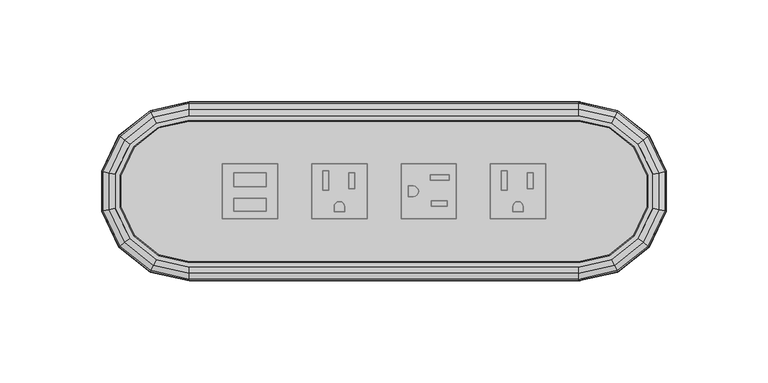
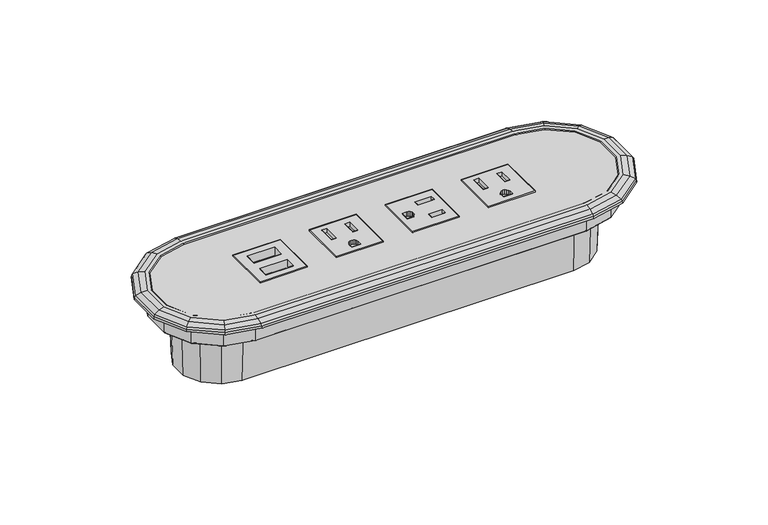
"""IFC4 building model written with IfcOpenShell, lengths in millimetres: furniture geometry."""

from ifc_helpers import new_model, si_unit, origin, place, context, project, spatial, triangles, source, transform, mapped, element, save


def furniture_b4716641(model_context):
    return source(origin(), model_context, "Body", "Tessellation", [
        triangles([(-27.2427435, 0.6278616, 1.5678789), (-30.1118793, 0.6278616, 1.5678789), (-30.1118793, 10.01272, 1.5678789), (-27.2427435, 10.01272, 1.5678789), (-30.1118793, 0.6278616, 4.1078789), (-27.2427435, 0.6278616, 4.1078789), (-30.1118793, 10.01272, 4.1078789), (-27.2427435, 10.01272, 4.1078789), (-14.4813063, 1.1776021, 1.5678789), (-17.3383732, 1.1776021, 1.5678789), (-17.3383732, 9.0795398, 1.5678789), (-14.4813063, 9.0795398, 1.5678789), (-17.3383732, 1.1776021, 4.1078789), (-14.4813063, 1.1776021, 4.1078789), (-17.3383732, 9.0795398, 4.1078789), (-14.4813063, 9.0795398, 4.1078789), (-35.4864649, -13.5373777, 4.1078789), (-35.4864649, -13.5373777, 3.4721289), (-8.3436915, -13.5373777, 3.4721289), (-8.3436915, -13.5373777, 4.1078789), (-8.3436915, 13.5373777, 3.4721289), (-35.4864649, 13.5373777, 3.4721289), (-35.4864649, 13.5373777, 4.1078789), (-8.3436915, 13.5373777, 4.1078789), (-24.5416933, -7.6990191, 4.1078789), (-24.5416933, -7.6990191, 1.5678789), (-24.5416933, -10.0395568, 1.5678789), (-24.5416933, -10.0395568, 4.1078789), (-19.3015312, -10.0395568, 1.5678789), (-19.3015312, -10.0395568, 4.1078789), (-19.3015312, -7.6990191, 1.5678789), (-19.3015312, -7.6990191, 4.1078789), (-19.4864468, -6.621166, 1.5678789), (-19.4864468, -6.621166, 4.1078789), (-20.0566973, -5.7742552, 1.5678789), (-20.0566973, -5.7742552, 4.1078789), (-20.8889866, -5.2045197, 1.5678789), (-20.8889866, -5.2045197, 4.1078789), (-21.9370308, -5.0197364, 1.5678789), (-21.9370308, -5.0197364, 4.1078789), (-22.9387888, -5.2045197, 1.5678789), (-22.9387888, -5.2045197, 4.1078789), (-23.7864705, -5.8050525, 1.5678789), (-23.7864705, -5.8050525, 4.1078789), (-24.356721, -6.6365527, 1.5678789), (-24.356721, -6.6365527, 4.1078789), (60.603155, 0.6278616, 1.5678789), (57.7340214, 0.6278616, 1.5678789), (57.7340214, 10.01272, 1.5678789), (60.603155, 10.01272, 1.5678789), (57.7340214, 0.6278616, 4.1078789), (60.603155, 0.6278616, 4.1078789), (57.7340214, 10.01272, 4.1078789), (60.603155, 10.01272, 4.1078789), (73.3645944, 1.1776021, 1.5678789), (70.5075286, 1.1776021, 1.5678789), (70.5075286, 9.0795398, 1.5678789), (73.3645944, 9.0795398, 1.5678789), (70.5075286, 1.1776021, 4.1078789), (73.3645944, 1.1776021, 4.1078789), (70.5075286, 9.0795398, 4.1078789), (73.3645944, 9.0795398, 4.1078789), (52.3594358, -13.5373777, 4.1078789), (52.3594358, -13.5373777, 3.4721289), (79.5022058, -13.5373777, 4.1078789), (79.5022058, -13.5373777, 3.4721289), (79.5022058, 13.5373777, 3.4721289), (52.3594358, 13.5373777, 3.4721289), (52.3594358, 13.5373777, 4.1078789), (79.5022058, 13.5373777, 4.1078789), (63.3042074, -7.6990191, 4.1078789), (63.3042074, -7.6990191, 1.5678789), (63.3042074, -10.0395568, 1.5678789), (63.3042074, -10.0395568, 4.1078789), (68.5443672, -10.0395568, 1.5678789), (68.5443672, -10.0395568, 4.1078789), (68.5443672, -7.6990191, 1.5678789), (68.5443672, -7.6990191, 4.1078789), (68.3594539, -6.621166, 1.5678789), (68.3594539, -6.621166, 4.1078789), (67.7892034, -5.7742552, 1.5678789), (67.7892034, -5.7742552, 4.1078789), (66.9569141, -5.2045197, 1.5678789), (66.9569141, -5.2045197, 4.1078789), (65.9088676, -5.0197364, 1.5678789), (65.9088676, -5.0197364, 4.1078789), (64.9071119, -5.2045197, 1.5678789), (64.9071119, -5.2045197, 4.1078789), (64.0594302, -5.8050525, 1.5678789), (64.0594302, -5.8050525, 4.1078789), (63.4891797, -6.6365527, 1.5678789), (63.4891797, -6.6365527, 4.1078789), (22.6293827, 5.3276647, 1.5678789), (22.6293827, 8.1968011, 1.5678789), (32.0142409, 8.1968011, 1.5678789), (32.0142409, 5.3276647, 1.5678789), (22.6293827, 8.1968011, 4.1078789), (22.6293827, 5.3276647, 4.1078789), (32.0142409, 8.1968011, 4.1078789), (32.0142409, 5.3276647, 4.1078789), (23.1791243, -7.4337725, 1.5678789), (23.1791243, -4.5767053, 1.5678789), (31.0810607, -7.4337725, 1.5678789), (31.0810607, -4.5767053, 1.5678789), (23.1791243, -4.5767053, 4.1078789), (23.1791243, -7.4337725, 4.1078789), (31.0810607, -4.5767053, 4.1078789), (31.0810607, -7.4337725, 4.1078789), (8.4301342, 13.5373777, 4.1078789), (8.4301342, 13.5373777, 3.4721289), (8.4301342, -13.5373777, 3.4721289), (8.4301342, -13.5373777, 4.1078789), (35.5729082, -13.5373777, 3.4721289), (35.5729082, 13.5373777, 3.4721289), (35.5729082, 13.5373777, 4.1078789), (35.5729082, -13.5373777, 4.1078789), (14.3025018, 2.626614, 4.1078789), (14.3025018, 2.626614, 1.5678789), (11.961964, 2.626614, 1.5678789), (11.961964, 2.626614, 4.1078789), (11.961964, -2.6135478, 1.5678789), (11.961964, -2.6135478, 4.1078789), (14.3025018, -2.6135478, 1.5678789), (14.3025018, -2.6135478, 4.1078789), (15.3803555, -2.4286317, 1.5678789), (15.3803555, -2.4286317, 4.1078789), (16.2272662, -1.8583808, 1.5678789), (16.2272662, -1.8583808, 4.1078789), (16.7970012, -1.0260915, 1.5678789), (16.7970012, -1.0260915, 4.1078789), (16.981785, 0.0219519, 4.1078789), (16.981785, 0.0219519, 1.5678789), (16.7970012, 1.0237108, 1.5678789), (16.7970012, 1.0237108, 4.1078789), (16.1964689, 1.8713914, 1.5678789), (16.1964689, 1.8713914, 4.1078789), (15.3649688, 2.4416422, 1.5678789), (15.3649688, 2.4416422, 4.1078789)], [[1, 2, 3], [1, 3, 4], [5, 2, 1], [5, 1, 6], [4, 3, 7], [4, 7, 8], [3, 2, 5], [3, 5, 7], [8, 6, 1], [8, 1, 4], [9, 10, 11], [9, 11, 12], [13, 10, 9], [13, 9, 14], [12, 11, 15], [12, 15, 16], [11, 10, 13], [11, 13, 15], [16, 14, 9], [16, 9, 12], [17, 18, 19], [17, 19, 20], [21, 22, 23], [21, 23, 24], [22, 18, 17], [22, 17, 23], [24, 20, 19], [24, 19, 21], [25, 26, 27], [25, 27, 28], [28, 27, 29], [28, 29, 30], [30, 29, 31], [30, 31, 32], [32, 31, 33], [32, 33, 34], [34, 33, 35], [34, 35, 36], [36, 35, 37], [36, 37, 38], [38, 37, 39], [38, 39, 40], [40, 39, 41], [40, 41, 42], [42, 41, 43], [42, 43, 44], [44, 43, 45], [44, 45, 46], [46, 45, 26], [46, 26, 25], [26, 31, 27], [31, 29, 27], [26, 45, 33], [26, 33, 31], [45, 43, 35], [45, 35, 33], [35, 43, 37], [43, 41, 37], [41, 39, 37], [23, 17, 5], [23, 5, 7], [23, 8, 15], [23, 15, 24], [23, 7, 8], [24, 15, 16], [24, 16, 20], [16, 14, 20], [15, 8, 13], [8, 6, 13], [20, 30, 28], [20, 28, 17], [17, 28, 25], [17, 25, 5], [20, 14, 32], [20, 32, 30], [14, 34, 32], [13, 6, 40], [44, 6, 5], [44, 5, 46], [40, 6, 42], [42, 6, 44], [46, 5, 25], [13, 40, 38], [13, 36, 14], [36, 34, 14], [13, 38, 36], [47, 48, 49], [47, 49, 50], [51, 48, 47], [51, 47, 52], [50, 49, 53], [50, 53, 54], [49, 48, 51], [49, 51, 53], [54, 52, 47], [54, 47, 50], [55, 56, 57], [55, 57, 58], [59, 56, 55], [59, 55, 60], [58, 57, 61], [58, 61, 62], [57, 56, 59], [57, 59, 61], [62, 60, 55], [62, 55, 58], [63, 64, 65], [64, 66, 65], [67, 68, 69], [67, 69, 70], [68, 64, 63], [68, 63, 69], [70, 65, 66], [70, 66, 67], [71, 72, 73], [71, 73, 74], [74, 73, 75], [74, 75, 76], [76, 75, 77], [76, 77, 78], [78, 77, 79], [78, 79, 80], [80, 79, 81], [80, 81, 82], [82, 81, 83], [82, 83, 84], [84, 83, 85], [84, 85, 86], [86, 85, 87], [86, 87, 88], [88, 87, 89], [88, 89, 90], [90, 89, 91], [90, 91, 92], [92, 91, 72], [92, 72, 71], [72, 77, 75], [72, 75, 73], [72, 91, 79], [72, 79, 77], [91, 89, 81], [91, 81, 79], [81, 89, 87], [81, 87, 83], [87, 85, 83], [69, 63, 51], [69, 51, 53], [69, 54, 61], [69, 61, 70], [69, 53, 54], [70, 61, 62], [70, 62, 60], [70, 60, 65], [61, 54, 52], [61, 52, 59], [65, 76, 74], [65, 74, 63], [63, 74, 71], [63, 71, 51], [65, 60, 78], [65, 78, 76], [60, 80, 78], [59, 52, 86], [90, 52, 51], [90, 51, 92], [86, 52, 88], [88, 52, 90], [92, 51, 71], [59, 86, 84], [59, 82, 80], [59, 80, 60], [59, 84, 82], [93, 94, 95], [93, 95, 96], [97, 94, 93], [97, 93, 98], [96, 95, 99], [96, 99, 100], [95, 94, 97], [95, 97, 99], [100, 98, 93], [100, 93, 96], [101, 102, 103], [102, 104, 103], [105, 102, 106], [102, 101, 106], [103, 104, 107], [103, 107, 108], [104, 102, 105], [104, 105, 107], [108, 106, 101], [108, 101, 103], [109, 110, 111], [109, 111, 112], [113, 114, 115], [113, 115, 116], [114, 110, 109], [114, 109, 115], [116, 112, 111], [116, 111, 113], [117, 118, 119], [117, 119, 120], [120, 119, 121], [120, 121, 122], [122, 121, 123], [122, 123, 124], [124, 123, 125], [124, 125, 126], [126, 125, 127], [126, 127, 128], [128, 127, 129], [128, 129, 130], [130, 129, 131], [129, 132, 131], [131, 132, 133], [131, 133, 134], [134, 133, 135], [134, 135, 136], [136, 135, 137], [136, 137, 138], [138, 137, 118], [138, 118, 117], [118, 123, 121], [118, 121, 119], [118, 137, 125], [118, 125, 123], [137, 135, 127], [137, 127, 125], [127, 135, 133], [127, 133, 129], [133, 132, 129], [115, 109, 97], [115, 97, 99], [115, 100, 107], [115, 107, 116], [115, 99, 100], [116, 107, 108], [116, 108, 106], [116, 106, 112], [107, 100, 98], [107, 98, 105], [112, 122, 109], [122, 120, 109], [109, 120, 117], [109, 117, 97], [112, 106, 124], [112, 124, 122], [106, 126, 124], [105, 98, 131], [136, 98, 138], [98, 97, 138], [131, 98, 134], [134, 98, 136], [138, 97, 117], [105, 131, 130], [105, 128, 126], [105, 126, 106], [105, 130, 128]], closed=False),
        triangles([(-73.8622248, 9.0598321, -0.9721212), (-57.9997846, 9.0598321, -0.9721212), (-57.9997846, 2.3052158, -0.9721212), (-73.8622248, 2.3052158, -0.9721212), (-73.8622248, 2.3052158, 4.1078789), (-57.9997846, 2.3052158, 4.1078789), (-73.8622248, 9.0598321, 4.1078789), (-57.9997846, 9.0598321, 4.1078789), (-73.8634965, -3.3212587, -0.9721212), (-57.9997846, -3.3212587, -0.9721212), (-57.9997846, -9.7005957, -0.9721212), (-73.8634965, -9.7005957, -0.9721212), (-73.8634965, -9.7005957, 4.1078789), (-57.9997846, -9.7005957, 4.1078789), (-73.8634965, -3.3212587, 4.1078789), (-57.9997846, -3.3212587, 4.1078789), (-79.5011157, -13.5373777, 4.1078789), (-79.5011157, -13.5373777, 3.4721289), (-52.2609043, -13.5373777, 3.4721289), (-52.2609043, -13.5373777, 4.1078789), (-79.5011157, 13.5373777, 4.1078789), (-52.2609043, 13.5373777, 4.1078789), (-52.2609043, 13.5373777, 3.4721289), (-79.5011157, 13.5373777, 3.4721289)], [[1, 2, 3], [1, 3, 4], [5, 4, 3], [5, 3, 6], [7, 8, 2], [7, 2, 1], [8, 6, 3], [8, 3, 2], [1, 4, 5], [1, 5, 7], [9, 10, 11], [9, 11, 12], [13, 12, 11], [13, 11, 14], [15, 16, 10], [15, 10, 9], [16, 14, 11], [16, 11, 10], [9, 12, 13], [9, 13, 15], [17, 18, 19], [17, 19, 20], [21, 22, 23], [21, 23, 24], [22, 20, 19], [22, 19, 23], [24, 18, 17], [24, 17, 21], [17, 15, 5], [17, 5, 21], [22, 6, 16], [22, 16, 20], [20, 14, 17], [14, 13, 17], [22, 21, 8], [21, 7, 8], [6, 5, 15], [6, 15, 16], [13, 15, 17], [21, 5, 7], [22, 8, 6], [16, 14, 20]], closed=False),
        triangles([(125.0273794, -23.2402716, 3.9624001), (112.0577949, -33.5831631, 3.9624001), (113.3937962, -36.3573829, 3.5222025), (127.4347542, -25.1600899, 3.5222025), (114.6227546, -38.9093483, 2.2368759), (129.649272, -26.9261045, 2.2368759), (95.8849994, -37.2745008, 3.9624001), (95.8849994, -40.3536506, 3.5222025), (95.8849994, -43.1861221, 2.2368759), (132.2249506, -8.2943565, 3.9624001), (135.2269022, -8.9795323, 3.5222025), (137.9883524, -9.6098161, 2.2368759), (132.2249506, 8.2943565, 3.9624001), (135.2269022, 8.9795323, 3.5222025), (137.9883524, 9.6098161, 2.2368759), (125.0273794, 23.2402716, 3.9624001), (127.4347542, 25.1600899, 3.5222025), (129.649272, 26.9261045, 2.2368759), (112.0577949, 33.5831631, 3.9624001), (113.3937962, 36.3573829, 3.5222025), (114.6227546, 38.9093483, 2.2368759), (95.8849994, 37.2745008, 3.9624001), (95.8849994, 40.3536506, 3.5222025), (95.8849994, 43.1861221, 2.2368759), (95.8849994, 35.0599694, 3.9624001), (111.0969524, 31.5879406, 3.9624001), (123.2959898, 21.8595328, 3.9624001), (130.0659436, 7.8015774, 3.9624001), (130.0659436, -7.8015774, 3.9624001), (123.2959898, -21.8595328, 3.9624001), (111.0969524, -31.5879406, 3.9624001), (95.8849994, -35.0599694, 3.9624001), (95.8849994, 34.5522787, 3.4721289), (110.8766715, 31.1305285, 3.4721289), (122.8990572, 21.5429937, 3.4721289), (129.5709792, 7.6886057, 3.4721289), (129.5709792, -7.6886057, 3.4721289), (122.8990572, -21.5429937, 3.4721289), (110.8766715, -31.1305285, 3.4721289), (95.8849994, -34.5522787, 3.4721289), (114.9182399, 39.5229282, 1.2168115), (95.8849994, 43.8671443, 1.2168115), (115.0113301, 39.7162395, 0.0), (95.8849994, 44.0816979, 0.0), (130.1817159, 27.3507174, 1.2168115), (130.3494564, 27.4844915, 0.0), (138.6523017, 9.761358, 1.2168115), (138.8614823, 9.809101, 0.0), (138.6523017, -9.761358, 1.2168115), (138.8614823, -9.809101, 0.0), (130.1817159, -27.3507174, 1.2168115), (130.3494564, -27.4844915, 0.0), (114.9182399, -39.5229282, 1.2168115), (115.0113301, -39.7162395, 0.0), (95.8849994, -43.8671443, 1.2168115), (95.8849994, -44.0816979, 0.0), (-95.8849994, -43.8671443, 1.2168115), (-95.8849994, -43.1861221, 2.2368759), (-95.8849994, -44.0816979, 0.0), (-95.8849994, -40.3536506, 3.5222025), (-95.8849994, -37.2745008, 3.9624001), (-95.8849994, -35.0599694, 3.9624001), (-95.8849994, -34.5522787, 3.4721289), (-95.8849994, 43.1861221, 2.2368759), (-95.8849994, 43.8671443, 1.2168115), (-95.8849994, 44.0816979, 0.0), (-95.8849994, 40.3536506, 3.5222025), (-95.8849994, 37.2745008, 3.9624001), (-95.8849994, 35.0599694, 3.9624001), (-95.8849994, 34.5522787, 3.4721289), (95.8849994, -34.3097812, 3.4721289), (110.8240675, -30.9000375, 3.4721289), (122.8042593, -21.3461466, 3.4721289), (129.4527724, -7.5403754, 3.4721289), (95.8849994, -37.1966235, 0.0), (95.8849994, -37.0016409, -11.669682), (111.9394064, -33.3373274, -11.669682), (112.0240125, -33.5130003, 0.0), (124.8140476, -23.0701466, -11.669682), (124.966491, -23.1917144, 0.0), (131.958933, -8.2336396, -11.669682), (132.1490286, -8.2770276, 0.0), (131.958933, 8.2336396, -11.669682), (132.1490286, 8.2770276, 0.0), (124.8140476, 23.0701466, -11.669682), (124.966491, 23.1917144, 0.0), (111.9394064, 33.3373274, -11.669682), (112.0240125, 33.5130003, 0.0), (95.8849994, 37.0016409, -11.669682), (95.8849994, 37.1966235, 0.0), (95.8849994, -36.3667369, -12.2936003), (111.6639327, -32.7652988, -12.2936003), (124.3176571, -22.6742905, -12.2936003), (131.3399483, -8.0923607, -12.2936003), (131.3399483, 8.0923607, -12.2936003), (124.3176571, 22.6742905, -12.2936003), (111.6639327, 32.7652988, -12.2936003), (95.8849994, 36.3667369, -12.2936003), (95.8849994, -25.6786538, -12.2936003), (107.0265522, -23.1356677, -12.2936003), (115.9613811, -16.0103793, -12.2936003), (120.9198358, -5.7140385, -12.2936003), (120.9198358, 5.7140385, -12.2936003), (115.9613811, 16.0103793, -12.2936003), (107.0265522, 23.1356677, -12.2936003), (95.8849994, 25.6786538, -12.2936003), (95.8849994, -24.9171201, -13.0290069), (106.6961309, -22.4495495, -13.0290069), (115.3659869, -15.5355695, -13.0290069), (120.1773938, -5.5445806, -13.0290069), (120.1773938, 5.5445806, -13.0290069), (115.3659869, 15.5355695, -13.0290069), (106.6961309, 22.4495495, -13.0290069), (95.8849994, 24.9171201, -13.0290069), (95.8849994, -23.8279696, -44.2181631), (106.2235671, -21.4682595, -44.2181631), (114.5144582, -14.8564957, -44.2181631), (119.1155491, -5.3022222, -44.2181631), (119.1155491, 5.3022222, -44.2181631), (114.5144582, 14.8564957, -44.2181631), (106.2235671, 21.4682595, -44.2181631), (95.8849994, 23.8279696, -44.2181631), (-127.4347542, -25.1600899, 3.5222025), (-113.3937962, -36.3573829, 3.5222025), (-112.0577949, -33.5831631, 3.9624001), (-125.0273794, -23.2402716, 3.9624001), (-129.649272, -26.9261045, 2.2368759), (-114.6227546, -38.9093483, 2.2368759), (-135.2269022, -8.9795323, 3.5222025), (-132.2249506, -8.2943565, 3.9624001), (-137.9883524, -9.6098161, 2.2368759), (-135.2269022, 8.9795323, 3.5222025), (-132.2249506, 8.2943565, 3.9624001), (-137.9883524, 9.6098161, 2.2368759), (-127.4347542, 25.1600899, 3.5222025), (-125.0273794, 23.2402716, 3.9624001), (-129.649272, 26.9261045, 2.2368759), (-113.3937962, 36.3573829, 3.5222025), (-112.0577949, 33.5831631, 3.9624001), (-114.6227546, 38.9093483, 2.2368759), (-111.0969524, 31.5879406, 3.9624001), (-123.2959898, 21.8595328, 3.9624001), (-130.0659436, 7.8015774, 3.9624001), (-130.0659436, -7.8015774, 3.9624001), (-123.2959898, -21.8595328, 3.9624001), (-111.0969524, -31.5879406, 3.9624001), (-110.8766715, 31.1305285, 3.4721289), (-122.8990572, 21.5429937, 3.4721289), (-129.5709792, 7.6886057, 3.4721289), (-129.5709792, -7.6886057, 3.4721289), (-122.8990572, -21.5429937, 3.4721289), (-110.8766715, -31.1305285, 3.4721289), (-114.9182399, 39.5229282, 1.2168115), (-115.0113301, 39.7162395, 0.0), (-130.1817159, 27.3507174, 1.2168115), (-130.3494564, 27.4844915, 0.0), (-138.6523017, 9.761358, 1.2168115), (-138.8614823, 9.809101, 0.0), (-138.6523017, -9.761358, 1.2168115), (-138.8614823, -9.809101, 0.0), (-130.1817159, -27.3507174, 1.2168115), (-130.3494564, -27.4844915, 0.0), (-114.9182399, -39.5229282, 1.2168115), (-115.0113301, -39.7162395, 0.0), (-110.8240675, -30.9000375, 3.4721289), (-95.8849994, -34.3097812, 3.4721289), (-122.8042593, -21.3461466, 3.4721289), (-129.4527724, -7.5403754, 3.4721289), (-95.8849994, -37.1966235, 0.0), (-95.8849994, -37.0016409, -11.669682), (-111.9394064, -33.3373274, -11.669682), (-112.0240125, -33.5130003, 0.0), (-124.8140476, -23.0701466, -11.669682), (-124.966491, -23.1917144, 0.0), (-131.958933, -8.2336396, -11.669682), (-132.1490286, -8.2770276, 0.0), (-131.958933, 8.2336396, -11.669682), (-132.1490286, 8.2770276, 0.0), (-124.8140476, 23.0701466, -11.669682), (-124.966491, 23.1917144, 0.0), (-111.9394064, 33.3373274, -11.669682), (-112.0240125, 33.5130003, 0.0), (-95.8849994, 37.0016409, -11.669682), (-95.8849994, 37.1966235, 0.0), (-95.8849994, -36.3667369, -12.2936003), (-111.6639327, -32.7652988, -12.2936003), (-124.3176571, -22.6742905, -12.2936003), (-131.3399483, -8.0923607, -12.2936003), (-131.3399483, 8.0923607, -12.2936003), (-124.3176571, 22.6742905, -12.2936003), (-111.6639327, 32.7652988, -12.2936003), (-95.8849994, 36.3667369, -12.2936003), (-95.8849994, -25.6786538, -12.2936003), (-107.0265522, -23.1356677, -12.2936003), (-115.9613811, -16.0103793, -12.2936003), (-120.9198358, -5.7140385, -12.2936003), (-120.9198358, 5.7140385, -12.2936003), (-115.9613811, 16.0103793, -12.2936003), (-107.0265522, 23.1356677, -12.2936003), (-95.8849994, 25.6786538, -12.2936003), (-95.8849994, -24.9171201, -13.0290069), (-106.6961309, -22.4495495, -13.0290069), (-115.3659869, -15.5355695, -13.0290069), (-120.1773938, -5.5445806, -13.0290069), (-120.1773938, 5.5445806, -13.0290069), (-115.3659869, 15.5355695, -13.0290069), (-106.6961309, 22.4495495, -13.0290069), (-95.8849994, 24.9171201, -13.0290069), (-95.8849994, -23.8279696, -44.2181631), (-106.2235671, -21.4682595, -44.2181631), (-114.5144582, -14.8564957, -44.2181631), (-119.1155491, -5.3022222, -44.2181631), (-119.1155491, 5.3022222, -44.2181631), (-114.5144582, 14.8564957, -44.2181631), (-106.2235671, 21.4682595, -44.2181631), (-95.8849994, 23.8279696, -44.2181631), (8.4301342, -13.5373777, 3.4721289), (-8.3436915, -13.5373777, 3.4721289), (-8.3436915, 13.5373777, 3.4721289), (8.4301342, 13.5373777, 3.4721289), (-79.5011157, -13.5373777, 3.4721289), (-79.5011157, 13.5373777, 3.4721289), (79.5022058, 13.5373777, 3.4721289), (79.5022058, -13.5373777, 3.4721289), (-35.4864649, 13.5373777, 3.4721289), (-52.2609043, 13.5373777, 3.4721289), (-52.2609043, -13.5373777, 3.4721289), (-35.4864649, -13.5373777, 3.4721289), (52.3594358, -13.5373777, 3.4721289), (52.3594358, 13.5373777, 3.4721289), (35.5729082, 13.5373777, 3.4721289), (35.5729082, -13.5373777, 3.4721289)], [[1, 2, 3], [1, 3, 4], [4, 3, 5], [4, 5, 6], [2, 7, 8], [2, 8, 3], [3, 8, 9], [3, 9, 5], [10, 1, 4], [10, 4, 11], [11, 4, 6], [11, 6, 12], [13, 10, 11], [13, 11, 14], [14, 11, 12], [14, 12, 15], [16, 13, 14], [16, 14, 17], [17, 14, 15], [17, 15, 18], [19, 16, 17], [19, 17, 20], [20, 17, 18], [20, 18, 21], [22, 19, 20], [22, 20, 23], [23, 20, 21], [23, 21, 24], [19, 22, 25], [19, 25, 26], [19, 26, 16], [26, 27, 16], [16, 27, 28], [16, 28, 13], [13, 28, 29], [13, 29, 10], [10, 29, 30], [10, 30, 1], [1, 30, 31], [1, 31, 2], [2, 31, 32], [2, 32, 7], [25, 33, 26], [33, 34, 26], [26, 34, 27], [34, 35, 27], [27, 35, 28], [35, 36, 28], [28, 36, 37], [28, 37, 29], [29, 37, 38], [29, 38, 30], [30, 38, 39], [30, 39, 31], [31, 39, 40], [31, 40, 32], [24, 21, 41], [24, 41, 42], [41, 43, 44], [41, 44, 42], [21, 18, 45], [21, 45, 41], [41, 45, 46], [41, 46, 43], [18, 15, 47], [18, 47, 45], [45, 47, 48], [45, 48, 46], [15, 12, 49], [15, 49, 47], [47, 49, 50], [47, 50, 48], [12, 6, 51], [12, 51, 49], [49, 51, 52], [49, 52, 50], [6, 5, 53], [6, 53, 51], [51, 53, 54], [51, 54, 52], [5, 9, 55], [5, 55, 53], [53, 55, 56], [53, 56, 54], [57, 55, 9], [57, 9, 58], [59, 56, 55], [59, 55, 57], [8, 60, 58], [8, 58, 9], [7, 61, 60], [7, 60, 8], [32, 62, 61], [32, 61, 7], [32, 40, 63], [32, 63, 62], [64, 24, 42], [64, 42, 65], [65, 42, 44], [65, 44, 66], [24, 64, 67], [24, 67, 23], [23, 67, 68], [23, 68, 22], [22, 68, 69], [22, 69, 25], [69, 70, 33], [69, 33, 25], [33, 71, 72], [33, 72, 34], [34, 72, 73], [34, 73, 35], [35, 73, 74], [35, 74, 36], [75, 76, 77], [75, 77, 78], [78, 77, 79], [78, 79, 80], [80, 79, 81], [80, 81, 82], [82, 81, 83], [82, 83, 84], [84, 83, 85], [84, 85, 86], [86, 85, 87], [86, 87, 88], [88, 87, 89], [88, 89, 90], [76, 91, 77], [91, 92, 77], [77, 92, 79], [92, 93, 79], [79, 93, 81], [93, 94, 81], [81, 94, 95], [81, 95, 83], [83, 95, 96], [83, 96, 85], [85, 96, 97], [85, 97, 87], [87, 97, 98], [87, 98, 89], [91, 99, 92], [99, 100, 92], [92, 100, 93], [100, 101, 93], [93, 101, 102], [93, 102, 94], [94, 102, 103], [94, 103, 95], [95, 103, 104], [95, 104, 96], [96, 104, 105], [96, 105, 97], [97, 105, 106], [97, 106, 98], [99, 107, 100], [107, 108, 100], [100, 108, 101], [108, 109, 101], [101, 109, 102], [109, 110, 102], [102, 110, 111], [102, 111, 103], [103, 111, 112], [103, 112, 104], [104, 112, 113], [104, 113, 105], [105, 113, 114], [105, 114, 106], [107, 115, 116], [107, 116, 108], [108, 116, 117], [108, 117, 109], [109, 117, 118], [109, 118, 110], [110, 118, 119], [110, 119, 111], [111, 119, 120], [111, 120, 112], [112, 120, 121], [112, 121, 113], [113, 121, 122], [113, 122, 114], [56, 75, 54], [75, 78, 54], [54, 78, 52], [78, 80, 52], [52, 80, 82], [52, 82, 50], [50, 82, 84], [50, 84, 48], [48, 84, 86], [48, 86, 46], [46, 86, 88], [46, 88, 43], [43, 88, 90], [43, 90, 44], [123, 124, 125], [123, 125, 126], [127, 128, 124], [127, 124, 123], [124, 60, 61], [124, 61, 125], [128, 58, 60], [128, 60, 124], [129, 123, 126], [129, 126, 130], [131, 127, 123], [131, 123, 129], [132, 129, 130], [132, 130, 133], [134, 131, 129], [134, 129, 132], [135, 132, 133], [135, 133, 136], [137, 134, 132], [137, 132, 135], [138, 135, 139], [135, 136, 139], [140, 137, 138], [137, 135, 138], [67, 138, 68], [138, 139, 68], [64, 140, 67], [140, 138, 67], [141, 69, 68], [141, 68, 139], [136, 142, 141], [136, 141, 139], [133, 143, 142], [133, 142, 136], [130, 144, 143], [130, 143, 133], [126, 145, 144], [126, 144, 130], [125, 146, 126], [146, 145, 126], [61, 62, 125], [62, 146, 125], [141, 147, 70], [141, 70, 69], [142, 148, 147], [142, 147, 141], [143, 149, 148], [143, 148, 142], [144, 150, 149], [144, 149, 143], [145, 151, 144], [151, 150, 144], [146, 152, 145], [152, 151, 145], [62, 63, 146], [63, 152, 146], [65, 153, 64], [153, 140, 64], [65, 66, 154], [65, 154, 153], [153, 155, 140], [155, 137, 140], [154, 156, 153], [156, 155, 153], [155, 157, 137], [157, 134, 137], [156, 158, 155], [158, 157, 155], [157, 159, 131], [157, 131, 134], [158, 160, 159], [158, 159, 157], [159, 161, 127], [159, 127, 131], [160, 162, 161], [160, 161, 159], [161, 163, 128], [161, 128, 127], [162, 164, 163], [162, 163, 161], [163, 57, 58], [163, 58, 128], [164, 59, 57], [164, 57, 163], [147, 165, 166], [147, 166, 70], [148, 167, 147], [167, 165, 147], [149, 168, 148], [168, 167, 148], [169, 170, 171], [169, 171, 172], [172, 171, 173], [172, 173, 174], [174, 173, 175], [174, 175, 176], [176, 175, 177], [176, 177, 178], [178, 177, 179], [178, 179, 180], [180, 179, 181], [180, 181, 182], [182, 181, 183], [182, 183, 184], [170, 185, 171], [185, 186, 171], [171, 186, 173], [186, 187, 173], [173, 187, 175], [187, 188, 175], [175, 188, 189], [175, 189, 177], [177, 189, 190], [177, 190, 179], [179, 190, 191], [179, 191, 181], [181, 191, 192], [181, 192, 183], [185, 193, 186], [193, 194, 186], [186, 194, 187], [194, 195, 187], [187, 195, 196], [187, 196, 188], [188, 196, 197], [188, 197, 189], [189, 197, 198], [189, 198, 190], [190, 198, 199], [190, 199, 191], [191, 199, 200], [191, 200, 192], [193, 201, 194], [201, 202, 194], [194, 202, 195], [202, 203, 195], [195, 203, 196], [203, 204, 196], [196, 204, 205], [196, 205, 197], [197, 205, 206], [197, 206, 198], [198, 206, 207], [198, 207, 199], [199, 207, 208], [199, 208, 200], [201, 209, 210], [201, 210, 202], [202, 210, 211], [202, 211, 203], [203, 211, 212], [203, 212, 204], [204, 212, 213], [204, 213, 205], [205, 213, 214], [205, 214, 206], [206, 214, 215], [206, 215, 207], [207, 215, 216], [207, 216, 208], [164, 172, 169], [164, 169, 59], [162, 174, 172], [162, 172, 164], [160, 176, 174], [160, 174, 162], [158, 178, 176], [158, 176, 160], [156, 180, 178], [156, 178, 158], [154, 182, 156], [182, 180, 156], [66, 184, 154], [184, 182, 154], [44, 90, 184], [44, 184, 66], [184, 90, 89], [184, 89, 183], [183, 89, 98], [183, 98, 192], [192, 98, 106], [192, 106, 200], [200, 106, 114], [200, 114, 208], [208, 114, 122], [208, 122, 216], [59, 169, 75], [59, 75, 56], [75, 169, 170], [75, 170, 76], [76, 170, 185], [76, 185, 91], [91, 185, 193], [91, 193, 99], [99, 193, 201], [99, 201, 107], [107, 201, 209], [107, 209, 115], [209, 216, 122], [209, 122, 115], [115, 122, 121], [115, 121, 116], [116, 121, 120], [116, 120, 117], [117, 120, 119], [117, 119, 118], [209, 210, 215], [209, 215, 216], [215, 210, 211], [215, 211, 214], [214, 211, 212], [214, 212, 213], [166, 71, 217], [166, 217, 218], [70, 219, 220], [70, 220, 33], [70, 166, 221], [70, 221, 222], [33, 223, 224], [33, 224, 71], [225, 226, 227], [225, 227, 228], [217, 220, 219], [217, 219, 218], [229, 230, 231], [229, 231, 232], [221, 166, 227], [166, 228, 227], [228, 166, 218], [219, 70, 225], [225, 70, 226], [226, 70, 222], [220, 231, 33], [231, 230, 33], [230, 223, 33], [232, 217, 71], [232, 71, 229], [229, 71, 224]], closed=False),
    ])


if __name__ == "__main__":
    model = new_model("IFC4")
    model_context = context("Model", 3, world=origin())
    ifc_project = project(units=[si_unit("LENGTHUNIT", "METRE", prefix="MILLI")], contexts=[model_context])
    site = spatial("IfcSite", under=ifc_project)
    building = spatial("IfcBuilding", under=site)
    placement = place(None, origin())
    furniture_shape = furniture_b4716641(model_context)
    element("IfcFurniture", 1, at=placement, inside=building, context=model_context, shape_type="MappedRepresentation", body=[
        mapped(furniture_shape, transform((0.0, 0.0, 0.0), x_axis=(1.0, 0.0, 0.0), y_axis=(0.0, 1.0, 0.0), z_axis=(0.0, 0.0, 1.0))),
    ])
    save(model, "model.ifc")
